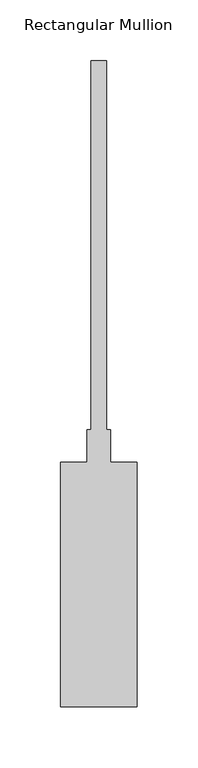
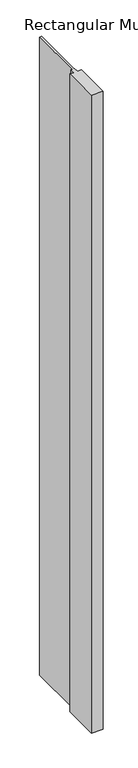
"""IFC4 building model written with IfcOpenShell, lengths in millimetres: member geometry, Rectangular Mullion."""

from ifc_helpers import new_model, si_unit, frame, origin, place, context, project, spatial, polyline, outline, extrude, source, transform, mapped, element, save


def rectangular_mullion_658b0388(model_context):
    return source(origin(), model_context, "Body", "SweptSolid", [
        extrude(outline(polyline([(33.2101153, -228.6), (-30.2898847, -228.6), (-30.2898847, -26.9875), (-8.0648847, -26.9875), (-8.0648847, 0.0), (-4.8898847, 0.0), (-4.8898847, 304.8), (7.8101153, 304.8), (7.8101153, 0.0), (10.9851153, 0.0), (10.9851153, -26.9875), (33.2101153, -26.9875), (33.2101153, -228.6)])), frame((0.0, 0.0, -3657.6), z_axis=(0.0, 0.0, 1.0), x_axis=(1.0, 0.0, 0.0)), (0.0, 0.0, 1.0), 3657.6),
    ])


if __name__ == "__main__":
    model = new_model("IFC4")
    model_context = context("Model", 3, world=origin())
    ifc_project = project(units=[si_unit("LENGTHUNIT", "METRE", prefix="MILLI")], contexts=[model_context])
    site = spatial("IfcSite", under=ifc_project)
    building = spatial("IfcBuilding", under=site)
    placement = place(None, origin())
    rectangular_mullion_shape = rectangular_mullion_658b0388(model_context)
    element("IfcMember", 1, ObjectType="Rectangular Mullion", at=placement, inside=building, context=model_context, shape_type="MappedRepresentation", body=[
        mapped(rectangular_mullion_shape, transform((0.0, 0.0, 0.0), x_axis=(1.0, 0.0, 0.0), y_axis=(0.0, 1.0, 0.0), z_axis=(0.0, 0.0, 1.0))),
    ])
    save(model, "model.ifc")
